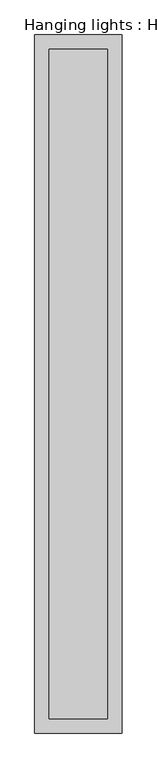
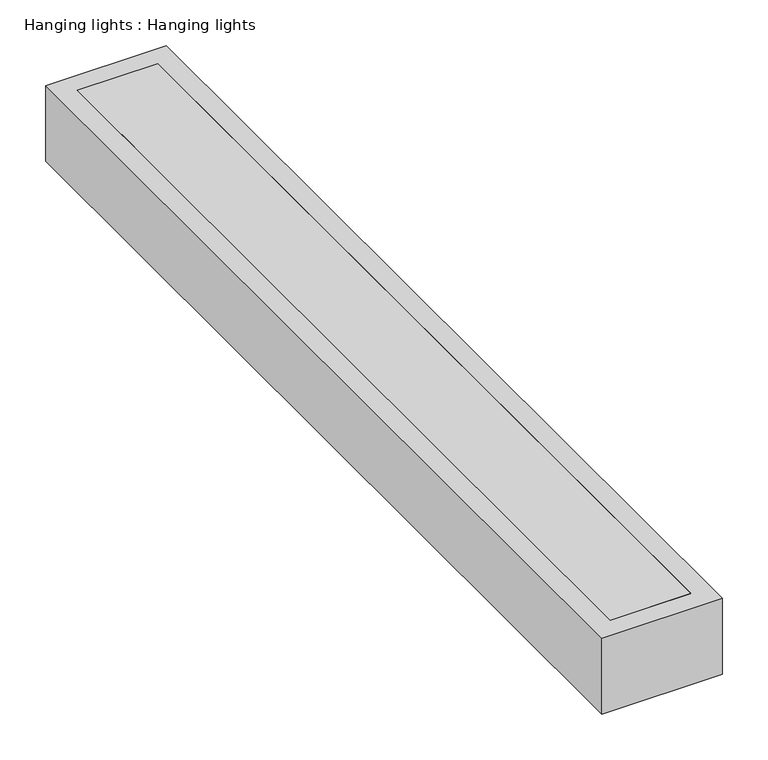
"""IFC4 building model written with IfcOpenShell, lengths in millimetres: proxy geometry, Hanging lights : Hanging lights."""

from ifc_helpers import new_model, si_unit, frame, origin, place, context, project, spatial, polyline, outline, extrude, source, transform, mapped, element, save


def hanging_lights_hanging_lights_302f86ca(model_context):
    return source(origin(), model_context, "Body", "SweptSolid", [
        extrude(outline(polyline([(50.8, -1193.8), (-50.8, -1193.8), (-50.8, -25.4), (50.8, -25.4), (50.8, -1193.8)])), frame((0.0, 0.0, 3098.8), z_axis=(0.0, 0.0, 1.0), x_axis=(1.0, 0.0, 0.0)), (0.0, 0.0, 1.0), 50.8),
        extrude(outline(polyline([(76.2, 0.0), (76.2, -1219.2), (-76.2, -1219.2), (-76.2, 0.0), (76.2, 0.0)]), holes=[polyline([(-50.8, -25.4), (-50.8, -1193.8), (50.8, -1193.8), (50.8, -25.4), (-50.8, -25.4)])]), frame((0.0, 0.0, 3048.0), z_axis=(0.0, 0.0, 1.0), x_axis=(1.0, 0.0, 0.0)), (0.0, 0.0, 1.0), 101.6),
    ])


if __name__ == "__main__":
    model = new_model("IFC4")
    model_context = context("Model", 3, world=origin())
    ifc_project = project(units=[si_unit("LENGTHUNIT", "METRE", prefix="MILLI")], contexts=[model_context])
    site = spatial("IfcSite", under=ifc_project)
    building = spatial("IfcBuilding", under=site)
    placement = place(None, origin())
    hanging_lights_hanging_lights_shape = hanging_lights_hanging_lights_302f86ca(model_context)
    element("IfcBuildingElementProxy", 1, Name="Hanging lights : Hanging lights", ObjectType="Hanging lights : Hanging lights", at=placement, inside=building, context=model_context, shape_type="MappedRepresentation", body=[
        mapped(hanging_lights_hanging_lights_shape, transform((0.0, 0.0, 0.0), x_axis=(1.0, 0.0, 0.0), y_axis=(0.0, 1.0, 0.0), z_axis=(0.0, 0.0, 1.0))),
    ])
    save(model, "model.ifc")
